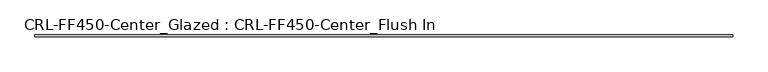
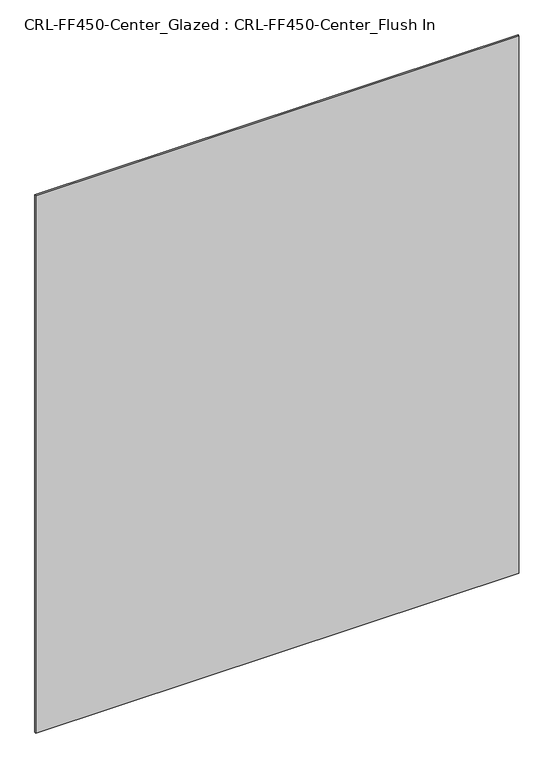
"""IFC4 building model written with IfcOpenShell, lengths in millimetres: plate geometry, CRL-FF450-Center_Glazed : CRL-FF450-Center_Flush In."""

from ifc_helpers import new_model, si_unit, origin, origin_with_axes, place, context, project, spatial, polyline, outline, extrude, source, transform, mapped, element, save


def crl_ff450_center_glazed_crl_ff450_center_flush_in_87732ae3(model_context):
    return source(origin(), model_context, "Body", "SweptSolid", [
        extrude(outline(polyline([(1308.1, 3.1749999), (1308.1, -3.1749999), (-1308.1, -3.1749999), (-1308.1, 3.1749999), (1308.1, 3.1749999)])), origin_with_axes(), (0.0, 0.0, 1.0), 3076.575),
    ])


if __name__ == "__main__":
    model = new_model("IFC4")
    model_context = context("Model", 3, world=origin())
    ifc_project = project(units=[si_unit("LENGTHUNIT", "METRE", prefix="MILLI")], contexts=[model_context])
    site = spatial("IfcSite", under=ifc_project)
    building = spatial("IfcBuilding", under=site)
    placement = place(None, origin())
    crl_ff450_center_glazed_crl_ff450_center_flush_in_shape = crl_ff450_center_glazed_crl_ff450_center_flush_in_87732ae3(model_context)
    element("IfcPlate", 1, ObjectType="CRL-FF450-Center_Glazed : CRL-FF450-Center_Flush In", at=placement, inside=building, context=model_context, shape_type="MappedRepresentation", body=[
        mapped(crl_ff450_center_glazed_crl_ff450_center_flush_in_shape, transform((0.0, 0.0, 0.0), x_axis=(1.0, 0.0, 0.0), y_axis=(0.0, 1.0, 0.0), z_axis=(0.0, 0.0, 1.0))),
    ])
    save(model, "model.ifc")
